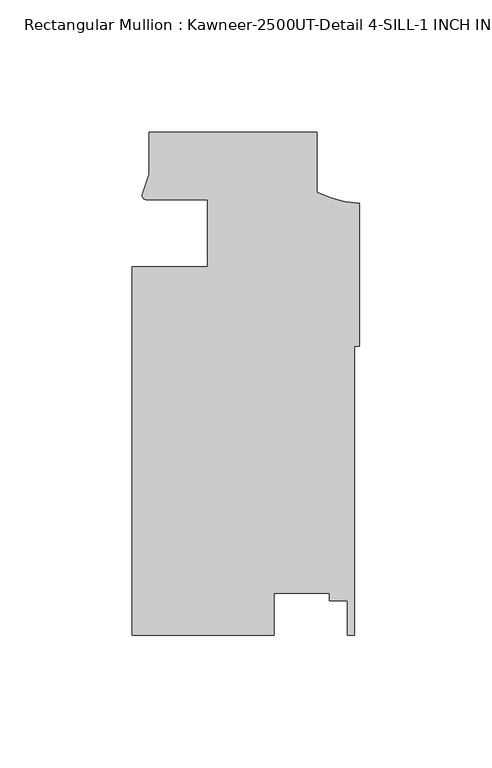
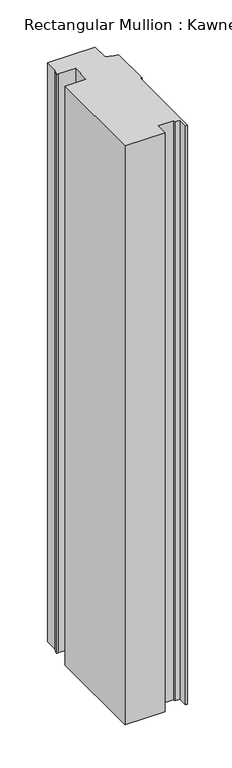
"""IFC4 building model written with IfcOpenShell, lengths in millimetres: member geometry, Rectangular Mullion : Kawneer-2500UT-Detail 4-SILL-1 INCH INFILL."""

from ifc_helpers import new_model, si_unit, point, frame, frame_2d, origin, place, context, project, spatial, polyline, circle_curve, trimmed, segment, composite_curve, outline, extrude, source, transform, mapped, element, save


def rectangular_mullion_kawneer_2500ut_detail_4_sill_1_inch_db28965b(model_context):
    return source(origin(), model_context, "Body", "SweptSolid", [
        extrude(outline(composite_curve([segment(polyline([(-85.8686733, -25.4669077), (-57.2936733, -25.4663259), (-57.2936733, -0.3840879)]), True, "CONTINUOUS"), segment(trimmed(circle_curve(frame_2d((-75.2179215, -461.0742748)), 461.0387479), [point((-57.2936733, -0.3840879))], [point((-80.5528021, -0.0663941))], True, "CARTESIAN"), True, "CONTINUOUS"), segment(trimmed(circle_curve(frame_2d((-80.4699106, 1.6349568)), 1.703369), [point((-80.5528021, -0.0663941))], [point((-82.1695285, 1.5219741))], False, "CARTESIAN"), True, "CONTINUOUS"), segment(polyline([(-82.1695285, 1.5219741), (-79.5186733, 9.4586425), (-79.5186733, 25.3335448), (-16.0186733, 25.3335448), (-16.0186733, 2.7958317)]), True, "CONTINUOUS"), segment(trimmed(circle_curve(frame_2d((1.9299154, 37.9143473)), 39.4393455), [point((-16.0186733, 2.7958317))], [point((0.0, -1.4777509))], True, "CARTESIAN"), True, "CONTINUOUS"), segment(polyline([(0.0, -1.4777509), (0.0, -55.5105127), (-1.8773984, -55.5105127), (-1.8773984, -164.6584552), (-4.4489746, -164.6584552), (-4.4489746, -151.614656), (-11.3069744, -151.614656), (-11.3069744, -148.7600507), (-32.2536236, -148.7600507), (-32.2536236, -164.6584552), (-85.8686733, -164.6584552), (-85.8686733, -25.4669077)]), True, "CONTINUOUS")], self_intersect=False)), frame((0.0, 0.0, -819.1499982), z_axis=(0.0, 0.0, 1.0), x_axis=(1.0, 0.0, 0.0)), (0.0, 0.0, 1.0), 819.1499982),
    ])


if __name__ == "__main__":
    model = new_model("IFC4")
    model_context = context("Model", 3, world=origin())
    ifc_project = project(units=[si_unit("LENGTHUNIT", "METRE", prefix="MILLI")], contexts=[model_context])
    site = spatial("IfcSite", under=ifc_project)
    building = spatial("IfcBuilding", under=site)
    placement = place(None, origin())
    rectangular_mullion_kawneer_2500ut_detail_4_sill_1_inch_shape = rectangular_mullion_kawneer_2500ut_detail_4_sill_1_inch_db28965b(model_context)
    element("IfcMember", 1, ObjectType="Rectangular Mullion : Kawneer-2500UT-Detail 4-SILL-1 INCH INFILL", at=placement, inside=building, context=model_context, shape_type="MappedRepresentation", body=[
        mapped(rectangular_mullion_kawneer_2500ut_detail_4_sill_1_inch_shape, transform((0.0, 0.0, 0.0), x_axis=(1.0, 0.0, 0.0), y_axis=(0.0, 1.0, 0.0), z_axis=(0.0, 0.0, 1.0))),
    ])
    save(model, "model.ifc")
